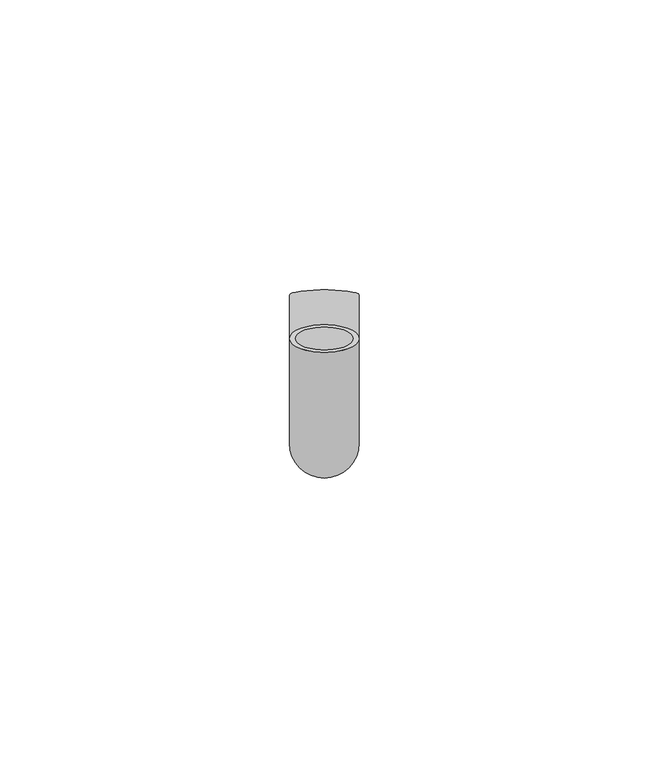
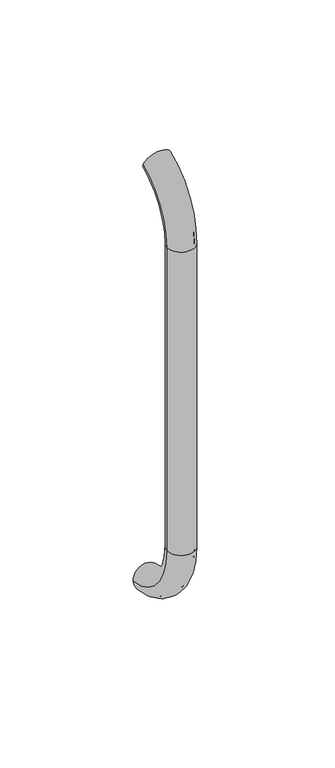
"""IFC4 building model written with IfcOpenShell, lengths in millimetres: beam geometry."""

import ifcopenshell
import ifcopenshell.guid

model = None  # the IFC model being written
_history = None  # IfcOwnerHistory: only IFC2X3 demands one
_inside = {}  # id of a spatial element -> (the spatial element, [elements in it])
_under = {}  # id of a project, library or spatial element -> (it, [spatial elements below it])
_declared = {}  # id of a project -> (the project, [libraries it declares])
_typed = {}  # id of a type object -> (the type object, [elements of that type])
_made_of = {}  # id of a material, layer set ... -> (it, [elements and type objects made of it])


def new_model(schema):
    """Start an empty IFC model of exactly this schema.

    Asked for "IFC4X3", IfcOpenShell would pick the latest addendum, in which some entities
    have other attributes; the version numbers below select the first issue.
    IFC2X3 requires an IfcOwnerHistory on every rooted entity: one is made here for all.
    """
    global model, _history
    if schema == "IFC4X3":
        model = ifcopenshell.file(schema_version=(4, 3, 0, 0))
    else:
        model = ifcopenshell.file(schema=schema)
    _inside.clear()
    _under.clear()
    _declared.clear()
    _typed.clear()
    _made_of.clear()
    _history = None
    if model.schema == "IFC2X3":
        org = make("IfcOrganization", Name="unknown")
        user = make(
            "IfcPersonAndOrganization",
            ThePerson=make("IfcPerson", FamilyName="unknown"),
            TheOrganization=org,
        )
        app = make(
            "IfcApplication",
            ApplicationDeveloper=org,
            Version="unknown",
            ApplicationFullName="unknown",
            ApplicationIdentifier="unknown",
        )
        _history = make(
            "IfcOwnerHistory",
            OwningUser=user,
            OwningApplication=app,
            ChangeAction="ADDED",
            CreationDate=0,
        )
    return model


def make(cls, **values):
    """One entity of the class cls with the attributes given. An attribute that is None is left unset."""
    return model.create_entity(
        cls, **{name: value for name, value in values.items() if value is not None}
    )


def rooted(cls, **values):
    """An entity with a GlobalId (a new one), such as an element, a storey or a relation."""
    return make(cls, GlobalId=ifcopenshell.guid.new(), OwnerHistory=_history, **values)


def si_unit(unit_type, name, prefix=None):
    """IfcSIUnit, for example si_unit("LENGTHUNIT", "METRE", prefix="MILLI")."""
    return make("IfcSIUnit", UnitType=unit_type, Prefix=prefix, Name=name)


def assignment(units):
    """IfcUnitAssignment: the units of a project."""
    return None if units is None else make("IfcUnitAssignment", Units=units)


def point(xyz):
    """IfcCartesianPoint."""
    return None if xyz is None else make("IfcCartesianPoint", Coordinates=xyz)


def direction(xyz):
    """IfcDirection."""
    return None if xyz is None else make("IfcDirection", DirectionRatios=xyz)


def frame(location, z_axis=None, x_axis=None):
    """IfcAxis2Placement3D, a coordinate frame: its origin and axes. An axis left out is left unset."""
    return make(
        "IfcAxis2Placement3D",
        Location=point(location),
        Axis=direction(z_axis),
        RefDirection=direction(x_axis),
    )


def origin():
    """The frame at (0, 0, 0) with its axes left unset."""
    return frame((0.0, 0.0, 0.0))


def place(relative_to, where):
    """IfcLocalPlacement: puts the frame where relative to a parent placement (None: the world)."""
    return make(
        "IfcLocalPlacement", PlacementRelTo=relative_to, RelativePlacement=where
    )


def context(
    kind, dimensions, precision=None, world=None, true_north=None, identifier=None
):
    """IfcGeometricRepresentationContext, for example the 3D "Model" context."""
    return make(
        "IfcGeometricRepresentationContext",
        ContextIdentifier=identifier,
        ContextType=kind,
        CoordinateSpaceDimension=dimensions,
        Precision=precision,
        WorldCoordinateSystem=world,
        TrueNorth=true_north,
    )


def project(units=None, contexts=None):
    """IfcProject with its units and contexts."""
    return rooted(
        "IfcProject",
        Name="project",
        RepresentationContexts=contexts,
        UnitsInContext=assignment(units),
    )


def spatial(cls, under=None, at=None, **own):
    """A site, building, storey or space (cls), placed at a placement, below another one or the project."""
    s = rooted(cls, ObjectPlacement=at, **own)
    if under is not None:
        _under.setdefault(under.id(), (under, []))[1].append(s)
    return s


def polyline(points):
    """IfcPolyline through the points."""
    return make("IfcPolyline", Points=[point(p) for p in points])


def circle_curve(where, radius):
    """IfcCircle in the frame where."""
    return make("IfcCircle", Position=where, Radius=radius)


def ellipse_curve(where, semi_axis1, semi_axis2):
    """IfcEllipse in the frame where."""
    return make(
        "IfcEllipse", Position=where, SemiAxis1=semi_axis1, SemiAxis2=semi_axis2
    )


def trimmed(basis, trim1, trim2, sense, master):
    """IfcTrimmedCurve: the piece of a basis curve between two trims."""
    return make(
        "IfcTrimmedCurve",
        BasisCurve=basis,
        Trim1=trim1,
        Trim2=trim2,
        SenseAgreement=sense,
        MasterRepresentation=master,
    )


def shape(context_of_items, identifier, shape_type, items):
    """IfcShapeRepresentation: the items that make up one representation, for example the "Body"."""
    return make(
        "IfcShapeRepresentation",
        ContextOfItems=context_of_items,
        RepresentationIdentifier=identifier,
        RepresentationType=shape_type,
        Items=items,
    )


def source(mapping_origin, context_of_items, identifier, shape_type, items):
    """IfcRepresentationMap: a shape defined once, which mapped items show again and again."""
    return make(
        "IfcRepresentationMap",
        MappingOrigin=mapping_origin,
        MappedRepresentation=shape(context_of_items, identifier, shape_type, items),
    )


def transform(
    local_origin,
    x_axis=None,
    y_axis=None,
    z_axis=None,
    scale=None,
    scale2=None,
    scale3=None,
    uniform=True,
):
    """IfcCartesianTransformationOperator3D, or its non-uniform kind. x_axis, y_axis, z_axis: its Axis1, 2, 3."""
    if uniform:
        return make(
            "IfcCartesianTransformationOperator3D",
            Axis1=direction(x_axis),
            Axis2=direction(y_axis),
            LocalOrigin=point(local_origin),
            Scale=scale,
            Axis3=direction(z_axis),
        )
    return make(
        "IfcCartesianTransformationOperator3DnonUniform",
        Axis1=direction(x_axis),
        Axis2=direction(y_axis),
        LocalOrigin=point(local_origin),
        Scale=scale,
        Axis3=direction(z_axis),
        Scale2=scale2,
        Scale3=scale3,
    )


def mapped(mapping_source, mapping_target):
    """IfcMappedItem: shows the shape of a source again, moved by a transform."""
    return make(
        "IfcMappedItem", MappingSource=mapping_source, MappingTarget=mapping_target
    )


def made_of(thing, what):
    """Note that an element or type object is made of a material, layer set ...; save() writes the relation."""
    if what is not None:
        _made_of.setdefault(what.id(), (what, []))[1].append(thing)
    return thing


def element(
    cls,
    number,
    at=None,
    inside=None,
    cuts=None,
    type_object=None,
    material=None,
    context=None,
    identifier="Body",
    shape_type=None,
    held_by="IfcProductDefinitionShape",
    body=None,
    shapes=None,
    **own,
):
    """One element of the class cls, such as IfcWall. Its Tag is "e" and its number.

    at: its placement. inside: the storey or other place that contains it. cuts: it is an
    opening in that element (IfcRelVoidsElement). A single representation is given by context,
    identifier, shape_type and body (its items); several are given by shapes. held_by: the class
    of the entity that holds the representations. save() writes the other relations.
    """
    e = rooted(cls, Tag="e%d" % number, ObjectPlacement=at, **own)
    if body is not None:
        shapes = [shape(context, identifier, shape_type, body)]
    if shapes is not None:
        e.Representation = make(held_by, Representations=shapes)
    if inside is not None:
        _inside.setdefault(inside.id(), (inside, []))[1].append(e)
    if cuts is not None:
        rooted(
            "IfcRelVoidsElement", RelatingBuildingElement=cuts, RelatedOpeningElement=e
        )
    if type_object is not None:
        _typed.setdefault(type_object.id(), (type_object, []))[1].append(e)
    return made_of(e, material)


def aggregate(whole, parts):
    """IfcRelAggregates: a whole, such as a stair, and the parts it consists of."""
    return rooted("IfcRelAggregates", RelatingObject=whole, RelatedObjects=parts)


def save(model, path):
    """Write the relations noted so far, then the file.

    IfcRelAggregates (storeys below a building ...), IfcRelContainedInSpatialStructure (elements
    in a storey), IfcRelDefinesByType, IfcRelAssociatesMaterial and IfcRelDeclares: one each for
    every whole, place, type object, material and project.
    """
    for whole, parts in _under.values():
        aggregate(whole, parts)
    for where, things in _inside.values():
        rooted(
            "IfcRelContainedInSpatialStructure",
            RelatedElements=things,
            RelatingStructure=where,
        )
    for kind, things in _typed.values():
        rooted("IfcRelDefinesByType", RelatedObjects=things, RelatingType=kind)
    for what, things in _made_of.values():
        rooted("IfcRelAssociatesMaterial", RelatedObjects=things, RelatingMaterial=what)
    for by, libraries in _declared.values():
        rooted("IfcRelDeclares", RelatingContext=by, RelatedDefinitions=libraries)
    model.write(path)


def plane_surface(at):
    """IfcPlane: the flat surface through the origin of the frame at, square to its z axis."""
    return make("IfcPlane", Position=at)


def cylinder_surface(at, radius):
    """IfcCylindricalSurface: all points at the distance radius from the z axis of the frame at."""
    return make("IfcCylindricalSurface", Position=at, Radius=radius)


def revolved_surface(curve, axis_point, axis_direction):
    """IfcSurfaceOfRevolution: the curve turned about the line through axis_point along axis_direction."""
    return make(
        "IfcSurfaceOfRevolution",
        SweptCurve=make("IfcArbitraryOpenProfileDef", ProfileType="CURVE", Curve=curve),
        AxisPosition=make("IfcAxis1Placement", Location=point(axis_point), Axis=direction(axis_direction)),
    )


def advanced_brep(points, edges, surfaces, faces):
    """IfcAdvancedBrep: a solid bounded by faces that lie on surfaces and meet in shared edges.

    An edge is (start, end): straight between two places in points (the first is 0);
    or (start, end, curve); or (start, end, curve, False) where it runs against its curve.
    A face is (place in surfaces, loops), or (place, loops, False) where it looks against
    its surface's normal. A loop lists edges by number (the first is 1), with a minus sign
    where the edge is run from its end to its start. The first loop is the outer one.
    """
    corners = [point(p) for p in points]
    vertices = [make("IfcVertexPoint", VertexGeometry=c) for c in corners]
    made = []
    for start, end, *more in edges:
        made.append(
            make(
                "IfcEdgeCurve",
                EdgeStart=vertices[start],
                EdgeEnd=vertices[end],
                EdgeGeometry=more[0] if more else make("IfcPolyline", Points=[corners[start], corners[end]]),
                SameSense=more[1] if len(more) > 1 else True,
            )
        )
    hull = []
    for where, loops, *sense in faces:
        bounds = []
        for j, loop in enumerate(loops):
            ring = [make("IfcOrientedEdge", EdgeElement=made[abs(k) - 1], Orientation=k > 0) for k in loop]
            bounds.append(
                make(
                    "IfcFaceOuterBound" if j == 0 else "IfcFaceBound",
                    Bound=make("IfcEdgeLoop", EdgeList=ring),
                    Orientation=True,
                )
            )
        hull.append(make("IfcAdvancedFace", Bounds=bounds, FaceSurface=surfaces[where], SameSense=sense[0] if sense else True))
    return make("IfcAdvancedBrep", Outer=make("IfcClosedShell", CfsFaces=hull))


def beam_2d261772(model_context):
    return source(origin(), model_context, "Body", "AdvancedBrep", [
        advanced_brep(
        [(6011.372509, 2444.0395554, 1993.7787656), (6023.372509, 2444.0395554, 1993.7787656), (6012.372509, 2444.0395554, 1993.7787656), (6022.372509, 2444.0395554, 1993.7787656), (6022.372509, 2425.9629385, 1966.25), (6012.372509, 2425.9629385, 1966.25), (6023.372509, 2425.9629385, 1966.25), (6011.372509, 2425.9629385, 1966.25), (6012.372509, 2425.9629385, 1826.25), (6022.372509, 2425.9629385, 1826.25), (6011.372509, 2425.9629385, 1826.25), (6023.372509, 2425.9629385, 1826.25), (6011.372509, 2451.5825147, 1796.5715249), (6023.372509, 2451.5825147, 1796.5715249), (6012.372509, 2451.5825147, 1796.5715249), (6022.372509, 2451.5825147, 1796.5715249)],
        [
            (0, 1, circle_curve(frame((6017.372509, 2444.0395554, 1993.7787656), z_axis=(0.0, 0.9176255197351176, 0.3974461039321624), x_axis=(1.0, 0.0, 0.0)), 6.0)),
            (1, 0, circle_curve(frame((6017.372509, 2444.0395554, 1993.7787656), z_axis=(0.0, 0.9176255197351176, 0.3974461039321624), x_axis=(1.0, 0.0, 0.0)), 6.0)),
            (2, 3, circle_curve(frame((6017.372509, 2444.0395554, 1993.7787656), z_axis=(0.0, -0.9176255197351176, -0.3974461039321624), x_axis=(1.0, 0.0, 0.0)), 5.0)),
            (3, 2, circle_curve(frame((6017.372509, 2444.0395554, 1993.7787656), z_axis=(0.0, -0.9176255197351176, -0.3974461039321624), x_axis=(1.0, 0.0, 0.0)), 5.0)),
            (4, 3, circle_curve(frame((6022.372509, 2455.9629385, 1966.25), z_axis=(-1.0, 0.0, 0.0), x_axis=(0.0, -0.3974461039321624, 0.9176255197351176)), 30.0)),
            (2, 5, circle_curve(frame((6012.372509, 2455.9629385, 1966.25), z_axis=(1.0, 0.0, 0.0), x_axis=(0.0, -0.3974461039321624, 0.9176255197351176)), 30.0)),
            (5, 4, circle_curve(frame((6017.372509, 2425.9629385, 1966.25), z_axis=(0.0, 0.0, -1.0), x_axis=(1.0, 0.0, 0.0)), 5.0)),
            (4, 5, circle_curve(frame((6017.372509, 2425.9629385, 1966.25), z_axis=(0.0, 0.0, -1.0), x_axis=(1.0, 0.0, 0.0)), 5.0)),
            (6, 1, circle_curve(frame((6023.372509, 2455.9629385, 1966.25), z_axis=(-1.0, 0.0, 0.0), x_axis=(0.0, -0.3974461039321624, 0.9176255197351176)), 30.0)),
            (0, 7, circle_curve(frame((6011.372509, 2455.9629385, 1966.25), z_axis=(1.0, 0.0, 0.0), x_axis=(0.0, -0.3974461039321624, 0.9176255197351176)), 30.0)),
            (7, 6, circle_curve(frame((6017.372509, 2425.9629385, 1966.25), z_axis=(0.0, 0.0, 1.0), x_axis=(1.0, 0.0, 0.0)), 6.0)),
            (6, 7, circle_curve(frame((6017.372509, 2425.9629385, 1966.25), z_axis=(0.0, 0.0, 1.0), x_axis=(1.0, 0.0, 0.0)), 6.0)),
            (5, 8),
            (8, 9, circle_curve(frame((6017.372509, 2425.9629385, 1826.25), z_axis=(0.0, 0.0, -1.0), x_axis=(1.0, 0.0, 0.0)), 5.0)),
            (9, 4),
            (9, 8, circle_curve(frame((6017.372509, 2425.9629385, 1826.25), z_axis=(0.0, 0.0, -1.0), x_axis=(1.0, 0.0, 0.0)), 5.0)),
            (7, 10),
            (10, 11, circle_curve(frame((6017.372509, 2425.9629385, 1826.25), z_axis=(0.0, 0.0, 1.0), x_axis=(1.0, 0.0, 0.0)), 6.0)),
            (11, 6),
            (11, 10, circle_curve(frame((6017.372509, 2425.9629385, 1826.25), z_axis=(0.0, 0.0, 1.0), x_axis=(1.0, 0.0, 0.0)), 6.0)),
            (12, 13, circle_curve(frame((6017.372509, 2451.5825147, 1796.5715249), z_axis=(0.0, 0.9892825047438852, -0.14601412879466394), x_axis=(1.0, 0.0, 0.0)), 6.0)),
            (13, 12, circle_curve(frame((6017.372509, 2451.5825147, 1796.5715249), z_axis=(0.0, 0.9892825047438852, -0.14601412879466394), x_axis=(1.0, 0.0, 0.0)), 6.0)),
            (14, 15, circle_curve(frame((6017.372509, 2451.5825147, 1796.5715249), z_axis=(0.0, -0.9892825047438852, 0.14601412879466394), x_axis=(1.0, 0.0, 0.0)), 5.0)),
            (15, 14, circle_curve(frame((6017.372509, 2451.5825147, 1796.5715249), z_axis=(0.0, -0.9892825047438852, 0.14601412879466394), x_axis=(1.0, 0.0, 0.0)), 5.0)),
            (15, 9, circle_curve(frame((6022.372509, 2455.9629385, 1826.25), z_axis=(-1.0, 0.0, 0.0), x_axis=(0.0, -1.0, 0.0)), 30.0)),
            (8, 14, circle_curve(frame((6012.372509, 2455.9629385, 1826.25), z_axis=(1.0, 0.0, 0.0), x_axis=(0.0, -1.0, 0.0)), 30.0)),
            (13, 11, circle_curve(frame((6023.372509, 2455.9629385, 1826.25), z_axis=(-1.0, 0.0, 0.0), x_axis=(0.0, -1.0, 0.0)), 30.0)),
            (10, 12, circle_curve(frame((6011.372509, 2455.9629385, 1826.25), z_axis=(1.0, 0.0, 0.0), x_axis=(0.0, -1.0, 0.0)), 30.0)),
        ],
        [
            plane_surface(frame((6017.372509, 2444.0395554, 1993.7787656), z_axis=(0.0, 0.9176255197351176, 0.3974461039321624), x_axis=(1.0, 0.0, 0.0))),
            revolved_surface(trimmed(ellipse_curve(frame((6017.372509, 2444.0395554, 1993.7787656), z_axis=(0.0, -0.9176255197351176, -0.3974461039321624), x_axis=(1.0, 0.0, 0.0)), 5.0, 5.0), [point((6012.372509, 2444.0395554, 1993.7787656))], [point((6022.372509, 2444.0395554, 1993.7787656))], True, "CARTESIAN"), (6017.372509, 2455.9629385, 1966.25), (1.0, 0.0, 0.0)),
            revolved_surface(trimmed(ellipse_curve(frame((6017.372509, 2444.0395554, 1993.7787656), z_axis=(0.0, -0.9176255197351176, -0.3974461039321624), x_axis=(1.0, 0.0, 0.0)), 5.0, 5.0), [point((6022.372509, 2444.0395554, 1993.7787656))], [point((6012.372509, 2444.0395554, 1993.7787656))], True, "CARTESIAN"), (6017.372509, 2455.9629385, 1966.25), (1.0, 0.0, 0.0)),
            revolved_surface(trimmed(ellipse_curve(frame((6017.372509, 2444.0395554, 1993.7787656), z_axis=(0.0, 0.9176255197351176, 0.3974461039321624), x_axis=(1.0, 0.0, 0.0)), 6.0, 6.0), [point((6011.372509, 2444.0395554, 1993.7787656))], [point((6023.372509, 2444.0395554, 1993.7787656))], True, "CARTESIAN"), (6017.372509, 2455.9629385, 1966.25), (1.0, 0.0, 0.0)),
            revolved_surface(trimmed(ellipse_curve(frame((6017.372509, 2444.0395554, 1993.7787656), z_axis=(0.0, 0.9176255197351176, 0.3974461039321624), x_axis=(1.0, 0.0, 0.0)), 6.0, 6.0), [point((6023.372509, 2444.0395554, 1993.7787656))], [point((6011.372509, 2444.0395554, 1993.7787656))], True, "CARTESIAN"), (6017.372509, 2455.9629385, 1966.25), (1.0, 0.0, 0.0)),
            revolved_surface(polyline([(6022.372509, 2425.9629385, 1826.25), (6022.372509, 2425.9629385, 1966.25)]), (6017.372509, 2425.9629385, 1966.25), (0.0, 0.0, -1.0)),
            cylinder_surface(frame((6017.372509, 2425.9629385, 1966.25), z_axis=(0.0, 0.0, 1.0), x_axis=(1.0, 0.0, 0.0)), 6.0),
            plane_surface(frame((6017.372509, 2451.5825147, 1796.5715249), z_axis=(0.0, 0.9892825047438852, -0.14601412879466397), x_axis=(1.0, 0.0, 0.0))),
            revolved_surface(trimmed(ellipse_curve(frame((6017.372509, 2425.9629385, 1826.25), z_axis=(0.0, 0.0, -1.0), x_axis=(1.0, 0.0, 0.0)), 5.0, 5.0), [point((6012.372509, 2425.9629385, 1826.25))], [point((6022.372509, 2425.9629385, 1826.25))], True, "CARTESIAN"), (6017.372509, 2455.9629385, 1826.25), (1.0, 0.0, 0.0)),
            revolved_surface(trimmed(ellipse_curve(frame((6017.372509, 2425.9629385, 1826.25), z_axis=(0.0, 0.0, -1.0), x_axis=(1.0, 0.0, 0.0)), 5.0, 5.0), [point((6022.372509, 2425.9629385, 1826.25))], [point((6012.372509, 2425.9629385, 1826.25))], True, "CARTESIAN"), (6017.372509, 2455.9629385, 1826.25), (1.0, 0.0, 0.0)),
            revolved_surface(trimmed(ellipse_curve(frame((6017.372509, 2425.9629385, 1826.25), z_axis=(0.0, 0.0, 1.0), x_axis=(1.0, 0.0, 0.0)), 6.0, 6.0), [point((6011.372509, 2425.9629385, 1826.25))], [point((6023.372509, 2425.9629385, 1826.25))], True, "CARTESIAN"), (6017.372509, 2455.9629385, 1826.25), (1.0, 0.0, 0.0)),
            revolved_surface(trimmed(ellipse_curve(frame((6017.372509, 2425.9629385, 1826.25), z_axis=(0.0, 0.0, 1.0), x_axis=(1.0, 0.0, 0.0)), 6.0, 6.0), [point((6023.372509, 2425.9629385, 1826.25))], [point((6011.372509, 2425.9629385, 1826.25))], True, "CARTESIAN"), (6017.372509, 2455.9629385, 1826.25), (1.0, 0.0, 0.0)),
        ],
        [
            (0, [[1, 2], [3, 4]]),
            (1, [[5, -3, 6, 7]]),
            (2, [[-6, -4, -5, 8]]),
            (3, [[9, -1, 10, 11]]),
            (4, [[-10, -2, -9, 12]]),
            (5, [[-7, 13, 14, 15]]),
            (5, [[-8, -15, 16, -13]]),
            (6, [[-11, 17, 18, 19]]),
            (6, [[-12, -19, 20, -17]]),
            (7, [[21, 22], [23, 24]]),
            (8, [[25, -14, 26, -24]]),
            (9, [[-26, -16, -25, -23]]),
            (10, [[27, -18, 28, -22]]),
            (11, [[-28, -20, -27, -21]]),
        ],
    ),
    ])


if __name__ == "__main__":
    model = new_model("IFC4")
    model_context = context("Model", 3, world=origin())
    ifc_project = project(units=[si_unit("LENGTHUNIT", "METRE", prefix="MILLI")], contexts=[model_context])
    site = spatial("IfcSite", under=ifc_project)
    building = spatial("IfcBuilding", under=site)
    placement = place(None, origin())
    beam_shape = beam_2d261772(model_context)
    element("IfcBeam", 1, at=placement, inside=building, context=model_context, shape_type="MappedRepresentation", body=[
        mapped(beam_shape, transform((0.0, 0.0, 0.0), x_axis=(1.0, 0.0, 0.0), y_axis=(0.0, 1.0, 0.0), z_axis=(0.0, 0.0, 1.0))),
    ])
    save(model, "model.ifc")
